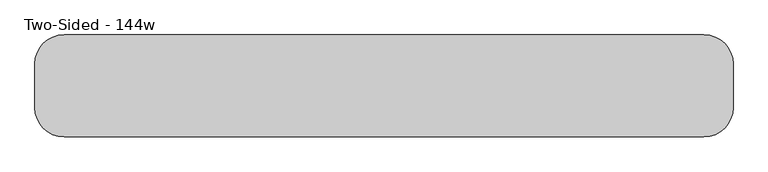
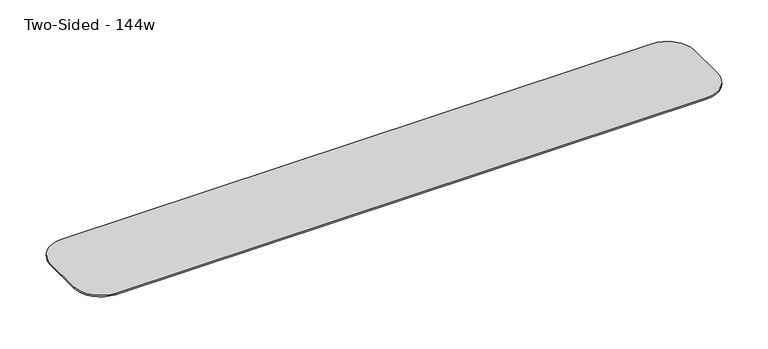
"""IFC4 building model written with IfcOpenShell, lengths in millimetres: furniture geometry, Two-Sided - 144w."""

from ifc_helpers import new_model, si_unit, frame, origin, place, context, project, spatial, polyline, circle_curve, outline, extrude, source, transform, mapped, element, save
from ifc_brep_helpers import plane_surface, cylinder_surface, revolved_surface, advanced_brep


def two_sided_144w_44061c4d(model_context):
    return source(origin(), model_context, "Body", "SolidModel", [
        extrude(outline(polyline([(-142.2292425, 673.1), (-142.2292425, 711.2), (-2.5292425, 711.2), (-2.5292425, 704.85), (-142.2292425, 673.1)])), frame((1521.789177, 0.0, 0.0), z_axis=(1.0, 0.0, 0.0), x_axis=(0.0, 1.0, 0.0)), (0.0, 0.0, 1.0), 82.55),
        extrude(outline(polyline([(-142.2292425, 673.1), (-142.2292425, 711.2), (-2.5292425, 711.2), (-2.5292425, 704.85), (-142.2292425, 673.1)])), frame((874.089177, 0.0, 0.0), z_axis=(1.0, 0.0, 0.0), x_axis=(0.0, 1.0, 0.0)), (0.0, 0.0, 1.0), 82.55),
        extrude(outline(polyline([(-142.2292425, 673.1), (-142.2292425, 711.2), (-2.5292425, 711.2), (-2.5292425, 704.85), (-142.2292425, 673.1)])), frame((226.389177, 0.0, 0.0), z_axis=(1.0, 0.0, 0.0), x_axis=(0.0, 1.0, 0.0)), (0.0, 0.0, 1.0), 82.55),
        extrude(outline(polyline([(-142.2292425, 673.1), (-142.2292425, 711.2), (-2.5292425, 711.2), (-2.5292425, 704.85), (-142.2292425, 673.1)])), frame((-421.310823, 0.0, 0.0), z_axis=(1.0, 0.0, 0.0), x_axis=(0.0, 1.0, 0.0)), (0.0, 0.0, 1.0), 82.55),
        extrude(outline(polyline([(-243.8292425, 673.1), (-383.5292425, 704.85), (-383.5292425, 711.2), (-243.8292425, 711.2), (-243.8292425, 673.1)])), frame((1521.789177, 0.0, 0.0), z_axis=(1.0, 0.0, 0.0), x_axis=(0.0, 1.0, 0.0)), (0.0, 0.0, 1.0), 82.55),
        extrude(outline(polyline([(-243.8292425, 673.1), (-383.5292425, 704.85), (-383.5292425, 711.2), (-243.8292425, 711.2), (-243.8292425, 673.1)])), frame((874.089177, 0.0, 0.0), z_axis=(1.0, 0.0, 0.0), x_axis=(0.0, 1.0, 0.0)), (0.0, 0.0, 1.0), 82.55),
        extrude(outline(polyline([(-243.8292425, 673.1), (-383.5292425, 704.85), (-383.5292425, 711.2), (-243.8292425, 711.2), (-243.8292425, 673.1)])), frame((226.389177, 0.0, 0.0), z_axis=(1.0, 0.0, 0.0), x_axis=(0.0, 1.0, 0.0)), (0.0, 0.0, 1.0), 82.55),
        extrude(outline(polyline([(-243.8292425, 673.1), (-383.5292425, 704.85), (-383.5292425, 711.2), (-243.8292425, 711.2), (-243.8292425, 673.1)])), frame((-421.310823, 0.0, 0.0), z_axis=(1.0, 0.0, 0.0), x_axis=(0.0, 1.0, 0.0)), (0.0, 0.0, 1.0), 82.55),
        extrude(outline(polyline([(-142.2292425, 673.1), (-142.2292425, 711.2), (-2.5292425, 711.2), (-2.5292425, 704.85), (-142.2292425, 673.1)])), frame((2169.489177, 0.0, 0.0), z_axis=(1.0, 0.0, 0.0), x_axis=(0.0, 1.0, 0.0)), (0.0, 0.0, 1.0), 82.55),
        extrude(outline(polyline([(-142.2292425, 673.1), (-142.2292425, 711.2), (-2.5292425, 711.2), (-2.5292425, 704.85), (-142.2292425, 673.1)])), frame((-1069.010823, 0.0, 0.0), z_axis=(1.0, 0.0, 0.0), x_axis=(0.0, 1.0, 0.0)), (0.0, 0.0, 1.0), 82.55),
        extrude(outline(polyline([(-243.8292425, 673.1), (-383.5292425, 704.85), (-383.5292425, 711.2), (-243.8292425, 711.2), (-243.8292425, 673.1)])), frame((2169.489177, 0.0, 0.0), z_axis=(1.0, 0.0, 0.0), x_axis=(0.0, 1.0, 0.0)), (0.0, 0.0, 1.0), 82.55),
        extrude(outline(polyline([(-243.8292425, 673.1), (-383.5292425, 704.85), (-383.5292425, 711.2), (-243.8292425, 711.2), (-243.8292425, 673.1)])), frame((-1069.010823, 0.0, 0.0), z_axis=(1.0, 0.0, 0.0), x_axis=(0.0, 1.0, 0.0)), (0.0, 0.0, 1.0), 82.55),
        advanced_brep(
        [(2267.914177, 73.6707575, 742.95), (-1084.885823, 73.6707575, 742.95), (-1237.285823, -78.7292425, 742.95), (-1237.285823, -307.3292425, 742.95), (-1084.885823, -459.7292425, 742.95), (2267.914177, -459.7292425, 742.95), (2420.314177, -307.3292425, 742.95), (2420.314177, -78.7292425, 742.95), (2369.514177, -307.3292425, 711.2), (2267.914177, -408.9292425, 711.2), (-1084.885823, -408.9292425, 711.2), (-1186.485823, -307.3292425, 711.2), (-1186.485823, -78.7292425, 711.2), (-1084.885823, 22.8707575, 711.2), (2267.914177, 22.8707575, 711.2), (2369.514177, -78.7292425, 711.2), (2267.914177, 73.6707575, 734.45116), (-1084.885823, 73.6707575, 734.45116), (-1237.285823, -78.7292425, 734.45116), (-1237.285823, -307.3292425, 734.45116), (-1084.885823, -459.7292425, 734.45116), (2267.914177, -459.7292425, 734.45116), (2420.314177, -307.3292425, 734.45116), (2420.314177, -78.7292425, 734.45116)],
        [
            (0, 1),
            (1, 2, circle_curve(frame((-1084.885823, -78.7292425, 742.95), z_axis=(0.0, 0.0, 1.0), x_axis=(1.0, 0.0, 0.0)), 152.4)),
            (2, 3),
            (3, 4, circle_curve(frame((-1084.885823, -307.3292425, 742.95), z_axis=(0.0, 0.0, 1.0), x_axis=(1.0, 0.0, 0.0)), 152.4)),
            (4, 5),
            (5, 6, circle_curve(frame((2267.914177, -307.3292425, 742.95), z_axis=(0.0, 0.0, 1.0), x_axis=(1.0, 0.0, 0.0)), 152.4)),
            (6, 7),
            (7, 0, circle_curve(frame((2267.914177, -78.7292425, 742.95), z_axis=(0.0, 0.0, 1.0), x_axis=(1.0, 0.0, 0.0)), 152.4)),
            (8, 9, circle_curve(frame((2267.914177, -307.3292425, 711.2), z_axis=(0.0, 0.0, -1.0), x_axis=(0.0, -1.0, 0.0)), 101.6)),
            (9, 10),
            (10, 11, circle_curve(frame((-1084.885823, -307.3292425, 711.2), z_axis=(0.0, 0.0, -1.0), x_axis=(-1.0, 0.0, 0.0)), 101.6)),
            (11, 12),
            (12, 13, circle_curve(frame((-1084.885823, -78.7292425, 711.2), z_axis=(0.0, 0.0, -1.0), x_axis=(0.0, 1.0, 0.0)), 101.6)),
            (13, 14),
            (14, 15, circle_curve(frame((2267.914177, -78.7292425, 711.2), z_axis=(0.0, 0.0, -1.0), x_axis=(1.0, 0.0, 0.0)), 101.6)),
            (15, 8),
            (0, 16),
            (16, 17),
            (17, 1),
            (2, 18),
            (18, 19),
            (19, 3),
            (4, 20),
            (20, 21),
            (21, 5),
            (6, 22),
            (22, 23),
            (23, 7),
            (17, 18, circle_curve(frame((-1084.885823, -78.7292425, 734.45116), z_axis=(0.0, 0.0, 1.0), x_axis=(1.0, 0.0, 0.0)), 152.4)),
            (19, 20, circle_curve(frame((-1084.885823, -307.3292425, 734.45116), z_axis=(0.0, 0.0, 1.0), x_axis=(1.0, 0.0, 0.0)), 152.4)),
            (21, 22, circle_curve(frame((2267.914177, -307.3292425, 734.45116), z_axis=(0.0, 0.0, 1.0), x_axis=(1.0, 0.0, 0.0)), 152.4)),
            (23, 16, circle_curve(frame((2267.914177, -78.7292425, 734.45116), z_axis=(0.0, 0.0, 1.0), x_axis=(1.0, 0.0, 0.0)), 152.4)),
            (8, 22),
            (21, 9),
            (15, 23),
            (18, 12),
            (11, 19),
            (10, 20),
            (14, 16),
            (13, 17),
        ],
        [
            plane_surface(frame((-1084.885823, 73.6707575, 742.95), z_axis=(0.0, 0.0, 1.0), x_axis=(-1.0, 0.0, 0.0))),
            plane_surface(frame((-1084.885823, 73.6707575, 711.2), z_axis=(0.0, 0.0, -1.0), x_axis=(1.0, 0.0, 0.0))),
            plane_surface(frame((2267.914177, 73.6707575, 742.95), z_axis=(0.0, 1.0, 0.0), x_axis=(0.0, 0.0, -1.0))),
            plane_surface(frame((-1237.285823, -78.7292425, 742.95), z_axis=(-1.0, 0.0, 0.0), x_axis=(0.0, 0.0, -1.0))),
            plane_surface(frame((-1084.885823, -459.7292425, 742.95), z_axis=(0.0, -1.0, 0.0), x_axis=(0.0, 0.0, -1.0))),
            plane_surface(frame((2420.314177, -307.3292425, 742.95), z_axis=(1.0, 0.0, 0.0), x_axis=(0.0, 0.0, -1.0))),
            cylinder_surface(frame((-1084.885823, -78.7292425, 711.2), z_axis=(0.0, 0.0, 1.0), x_axis=(1.0, 0.0, 0.0)), 152.4),
            cylinder_surface(frame((-1084.885823, -307.3292425, 711.2), z_axis=(0.0, 0.0, 1.0), x_axis=(1.0, 0.0, 0.0)), 152.4),
            cylinder_surface(frame((2267.914177, -307.3292425, 711.2), z_axis=(0.0, 0.0, 1.0), x_axis=(1.0, 0.0, 0.0)), 152.4),
            cylinder_surface(frame((2267.914177, -78.7292425, 711.2), z_axis=(0.0, 0.0, 1.0), x_axis=(1.0, 0.0, 0.0)), 152.4),
            revolved_surface(polyline([(2267.914177, -325.686944, 673.1), (2267.914177, -459.7292425, 734.45116)]), (2267.914177, -307.3292425, 742.95), (0.0, 0.0, 1.0)),
            plane_surface(frame((2420.314177, -307.3292425, 734.45116), z_axis=(0.4161787475539382, 0.0, -0.9092828218351183), x_axis=(0.0, 1.0, 0.0))),
            plane_surface(frame((-1237.285823, -78.7292425, 734.45116), z_axis=(-0.4161787475539382, 0.0, -0.9092828218351183), x_axis=(0.0, -1.0, 0.0))),
            revolved_surface(polyline([(-1103.2435246, -307.3292425, 673.1), (-1237.285823, -307.3292425, 734.45116)]), (-1084.885823, -307.3292425, 742.95), (0.0, 0.0, 1.0)),
            plane_surface(frame((-1084.885823, -459.7292425, 734.45116), z_axis=(0.0, -0.4161787475539382, -0.9092828218351183), x_axis=(1.0, 0.0, 0.0))),
            revolved_surface(polyline([(2286.2718785, -78.7292425, 673.1), (2420.314177, -78.7292425, 734.45116)]), (2267.914177, -78.7292425, 742.95), (0.0, 0.0, 1.0)),
            plane_surface(frame((2267.914177, 73.6707575, 734.45116), z_axis=(0.0, 0.4161787475539382, -0.9092828218351183), x_axis=(-1.0, 0.0, 0.0))),
            revolved_surface(polyline([(-1084.885823, -60.3715409, 673.1), (-1084.885823, 73.6707575, 734.45116)]), (-1084.885823, -78.7292425, 742.95), (0.0, 0.0, 1.0)),
        ],
        [
            (0, [[1, 2, 3, 4, 5, 6, 7, 8]]),
            (1, [[9, 10, 11, 12, 13, 14, 15, 16]]),
            (2, [[-1, 17, 18, 19]]),
            (3, [[-3, 20, 21, 22]]),
            (4, [[-5, 23, 24, 25]]),
            (5, [[-7, 26, 27, 28]]),
            (6, [[-2, -19, 29, -20]]),
            (7, [[-4, -22, 30, -23]]),
            (8, [[-6, -25, 31, -26]]),
            (9, [[-8, -28, 32, -17]]),
            (10, [[33, -31, 34, -9]]),
            (11, [[-33, -16, 35, -27]]),
            (12, [[36, -12, 37, -21]]),
            (13, [[-37, -11, 38, -30]]),
            (14, [[-38, -10, -34, -24]]),
            (15, [[-35, -15, 39, -32]]),
            (16, [[-39, -14, 40, -18]]),
            (17, [[-40, -13, -36, -29]]),
        ],
    ),
    ])


if __name__ == "__main__":
    model = new_model("IFC4")
    model_context = context("Model", 3, world=origin())
    ifc_project = project(units=[si_unit("LENGTHUNIT", "METRE", prefix="MILLI")], contexts=[model_context])
    site = spatial("IfcSite", under=ifc_project)
    building = spatial("IfcBuilding", under=site)
    placement = place(None, origin())
    two_sided_144w_shape = two_sided_144w_44061c4d(model_context)
    element("IfcFurniture", 1, ObjectType="Two-Sided - 144w", at=placement, inside=building, context=model_context, shape_type="MappedRepresentation", body=[
        mapped(two_sided_144w_shape, transform((0.0, 0.0, 0.0), x_axis=(1.0, 0.0, 0.0), y_axis=(0.0, 1.0, 0.0), z_axis=(0.0, 0.0, 1.0))),
    ])
    save(model, "model.ifc")
